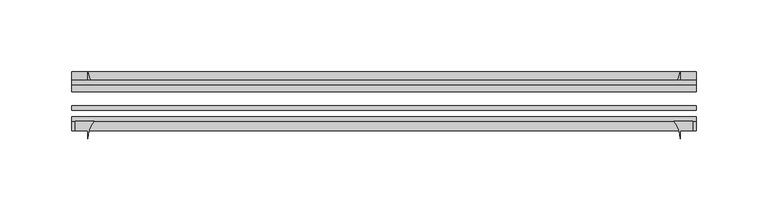
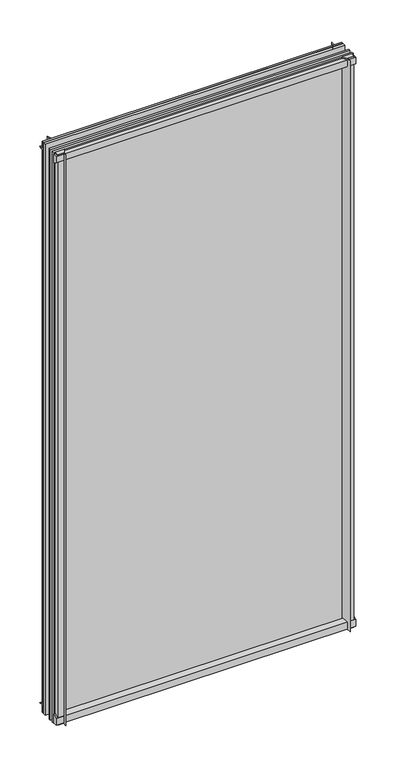
"""IFC4 building model written with IfcOpenShell, lengths in millimetres: plate geometry."""

import ifcopenshell
import ifcopenshell.guid

model = None  # the IFC model being written
_history = None  # IfcOwnerHistory: only IFC2X3 demands one
_inside = {}  # id of a spatial element -> (the spatial element, [elements in it])
_under = {}  # id of a project, library or spatial element -> (it, [spatial elements below it])
_declared = {}  # id of a project -> (the project, [libraries it declares])
_typed = {}  # id of a type object -> (the type object, [elements of that type])
_made_of = {}  # id of a material, layer set ... -> (it, [elements and type objects made of it])


def new_model(schema):
    """Start an empty IFC model of exactly this schema.

    Asked for "IFC4X3", IfcOpenShell would pick the latest addendum, in which some entities
    have other attributes; the version numbers below select the first issue.
    IFC2X3 requires an IfcOwnerHistory on every rooted entity: one is made here for all.
    """
    global model, _history
    if schema == "IFC4X3":
        model = ifcopenshell.file(schema_version=(4, 3, 0, 0))
    else:
        model = ifcopenshell.file(schema=schema)
    _inside.clear()
    _under.clear()
    _declared.clear()
    _typed.clear()
    _made_of.clear()
    _history = None
    if model.schema == "IFC2X3":
        org = make("IfcOrganization", Name="unknown")
        user = make(
            "IfcPersonAndOrganization",
            ThePerson=make("IfcPerson", FamilyName="unknown"),
            TheOrganization=org,
        )
        app = make(
            "IfcApplication",
            ApplicationDeveloper=org,
            Version="unknown",
            ApplicationFullName="unknown",
            ApplicationIdentifier="unknown",
        )
        _history = make(
            "IfcOwnerHistory",
            OwningUser=user,
            OwningApplication=app,
            ChangeAction="ADDED",
            CreationDate=0,
        )
    return model


def make(cls, **values):
    """One entity of the class cls with the attributes given. An attribute that is None is left unset."""
    return model.create_entity(
        cls, **{name: value for name, value in values.items() if value is not None}
    )


def rooted(cls, **values):
    """An entity with a GlobalId (a new one), such as an element, a storey or a relation."""
    return make(cls, GlobalId=ifcopenshell.guid.new(), OwnerHistory=_history, **values)


def si_unit(unit_type, name, prefix=None):
    """IfcSIUnit, for example si_unit("LENGTHUNIT", "METRE", prefix="MILLI")."""
    return make("IfcSIUnit", UnitType=unit_type, Prefix=prefix, Name=name)


def assignment(units):
    """IfcUnitAssignment: the units of a project."""
    return None if units is None else make("IfcUnitAssignment", Units=units)


def point(xyz):
    """IfcCartesianPoint."""
    return None if xyz is None else make("IfcCartesianPoint", Coordinates=xyz)


def direction(xyz):
    """IfcDirection."""
    return None if xyz is None else make("IfcDirection", DirectionRatios=xyz)


def frame(location, z_axis=None, x_axis=None):
    """IfcAxis2Placement3D, a coordinate frame: its origin and axes. An axis left out is left unset."""
    return make(
        "IfcAxis2Placement3D",
        Location=point(location),
        Axis=direction(z_axis),
        RefDirection=direction(x_axis),
    )


def frame_2d(location, x_axis=None):
    """IfcAxis2Placement2D, a coordinate frame in the plane: its origin and x axis."""
    return make(
        "IfcAxis2Placement2D", Location=point(location), RefDirection=direction(x_axis)
    )


def origin():
    """The frame at (0, 0, 0) with its axes left unset."""
    return frame((0.0, 0.0, 0.0))


def place(relative_to, where):
    """IfcLocalPlacement: puts the frame where relative to a parent placement (None: the world)."""
    return make(
        "IfcLocalPlacement", PlacementRelTo=relative_to, RelativePlacement=where
    )


def context(
    kind, dimensions, precision=None, world=None, true_north=None, identifier=None
):
    """IfcGeometricRepresentationContext, for example the 3D "Model" context."""
    return make(
        "IfcGeometricRepresentationContext",
        ContextIdentifier=identifier,
        ContextType=kind,
        CoordinateSpaceDimension=dimensions,
        Precision=precision,
        WorldCoordinateSystem=world,
        TrueNorth=true_north,
    )


def project(units=None, contexts=None):
    """IfcProject with its units and contexts."""
    return rooted(
        "IfcProject",
        Name="project",
        RepresentationContexts=contexts,
        UnitsInContext=assignment(units),
    )


def spatial(cls, under=None, at=None, **own):
    """A site, building, storey or space (cls), placed at a placement, below another one or the project."""
    s = rooted(cls, ObjectPlacement=at, **own)
    if under is not None:
        _under.setdefault(under.id(), (under, []))[1].append(s)
    return s


def polyline(points):
    """IfcPolyline through the points."""
    return make("IfcPolyline", Points=[point(p) for p in points])


def circle_curve(where, radius):
    """IfcCircle in the frame where."""
    return make("IfcCircle", Position=where, Radius=radius)


def trimmed(basis, trim1, trim2, sense, master):
    """IfcTrimmedCurve: the piece of a basis curve between two trims."""
    return make(
        "IfcTrimmedCurve",
        BasisCurve=basis,
        Trim1=trim1,
        Trim2=trim2,
        SenseAgreement=sense,
        MasterRepresentation=master,
    )


def segment(curve, same_sense, transition):
    """IfcCompositeCurveSegment."""
    return make(
        "IfcCompositeCurveSegment",
        Transition=transition,
        SameSense=same_sense,
        ParentCurve=curve,
    )


def composite_curve(segments, self_intersect=None):
    """IfcCompositeCurve: segments joined end to end."""
    return make("IfcCompositeCurve", Segments=segments, SelfIntersect=self_intersect)


def outline(outer, holes=None, kind="AREA"):
    """IfcArbitraryClosedProfileDef: a profile drawn as a closed curve; with holes, ...WithVoids."""
    if holes is None:
        return make("IfcArbitraryClosedProfileDef", ProfileType=kind, OuterCurve=outer)
    return make(
        "IfcArbitraryProfileDefWithVoids",
        ProfileType=kind,
        OuterCurve=outer,
        InnerCurves=holes,
    )


def extrude(swept, where, along, depth):
    """IfcExtrudedAreaSolid: the profile swept, set in the frame where, extruded along a direction by depth."""
    return make(
        "IfcExtrudedAreaSolid",
        SweptArea=swept,
        Position=where,
        ExtrudedDirection=direction(along),
        Depth=depth,
    )


def shape(context_of_items, identifier, shape_type, items):
    """IfcShapeRepresentation: the items that make up one representation, for example the "Body"."""
    return make(
        "IfcShapeRepresentation",
        ContextOfItems=context_of_items,
        RepresentationIdentifier=identifier,
        RepresentationType=shape_type,
        Items=items,
    )


def source(mapping_origin, context_of_items, identifier, shape_type, items):
    """IfcRepresentationMap: a shape defined once, which mapped items show again and again."""
    return make(
        "IfcRepresentationMap",
        MappingOrigin=mapping_origin,
        MappedRepresentation=shape(context_of_items, identifier, shape_type, items),
    )


def transform(
    local_origin,
    x_axis=None,
    y_axis=None,
    z_axis=None,
    scale=None,
    scale2=None,
    scale3=None,
    uniform=True,
):
    """IfcCartesianTransformationOperator3D, or its non-uniform kind. x_axis, y_axis, z_axis: its Axis1, 2, 3."""
    if uniform:
        return make(
            "IfcCartesianTransformationOperator3D",
            Axis1=direction(x_axis),
            Axis2=direction(y_axis),
            LocalOrigin=point(local_origin),
            Scale=scale,
            Axis3=direction(z_axis),
        )
    return make(
        "IfcCartesianTransformationOperator3DnonUniform",
        Axis1=direction(x_axis),
        Axis2=direction(y_axis),
        LocalOrigin=point(local_origin),
        Scale=scale,
        Axis3=direction(z_axis),
        Scale2=scale2,
        Scale3=scale3,
    )


def mapped(mapping_source, mapping_target):
    """IfcMappedItem: shows the shape of a source again, moved by a transform."""
    return make(
        "IfcMappedItem", MappingSource=mapping_source, MappingTarget=mapping_target
    )


def made_of(thing, what):
    """Note that an element or type object is made of a material, layer set ...; save() writes the relation."""
    if what is not None:
        _made_of.setdefault(what.id(), (what, []))[1].append(thing)
    return thing


def element(
    cls,
    number,
    at=None,
    inside=None,
    cuts=None,
    type_object=None,
    material=None,
    context=None,
    identifier="Body",
    shape_type=None,
    held_by="IfcProductDefinitionShape",
    body=None,
    shapes=None,
    **own,
):
    """One element of the class cls, such as IfcWall. Its Tag is "e" and its number.

    at: its placement. inside: the storey or other place that contains it. cuts: it is an
    opening in that element (IfcRelVoidsElement). A single representation is given by context,
    identifier, shape_type and body (its items); several are given by shapes. held_by: the class
    of the entity that holds the representations. save() writes the other relations.
    """
    e = rooted(cls, Tag="e%d" % number, ObjectPlacement=at, **own)
    if body is not None:
        shapes = [shape(context, identifier, shape_type, body)]
    if shapes is not None:
        e.Representation = make(held_by, Representations=shapes)
    if inside is not None:
        _inside.setdefault(inside.id(), (inside, []))[1].append(e)
    if cuts is not None:
        rooted(
            "IfcRelVoidsElement", RelatingBuildingElement=cuts, RelatedOpeningElement=e
        )
    if type_object is not None:
        _typed.setdefault(type_object.id(), (type_object, []))[1].append(e)
    return made_of(e, material)


def aggregate(whole, parts):
    """IfcRelAggregates: a whole, such as a stair, and the parts it consists of."""
    return rooted("IfcRelAggregates", RelatingObject=whole, RelatedObjects=parts)


def save(model, path):
    """Write the relations noted so far, then the file.

    IfcRelAggregates (storeys below a building ...), IfcRelContainedInSpatialStructure (elements
    in a storey), IfcRelDefinesByType, IfcRelAssociatesMaterial and IfcRelDeclares: one each for
    every whole, place, type object, material and project.
    """
    for whole, parts in _under.values():
        aggregate(whole, parts)
    for where, things in _inside.values():
        rooted(
            "IfcRelContainedInSpatialStructure",
            RelatedElements=things,
            RelatingStructure=where,
        )
    for kind, things in _typed.values():
        rooted("IfcRelDefinesByType", RelatedObjects=things, RelatingType=kind)
    for what, things in _made_of.values():
        rooted("IfcRelAssociatesMaterial", RelatedObjects=things, RelatingMaterial=what)
    for by, libraries in _declared.values():
        rooted("IfcRelDeclares", RelatingContext=by, RelatedDefinitions=libraries)
    model.write(path)


def plate_c994b77d(model_context):
    return source(origin(), model_context, "Body", "SweptSolid", [
        extrude(outline(composite_curve([segment(polyline([(-42.891075, -11.1125), (-42.891075, 3.8539528)]), True, "CONTINUOUS"), segment(trimmed(circle_curve(frame_2d((-26.637892, 29.5913262)), 30.4397495), [point((-42.891075, 3.8539528))], [point((-33.7745413, 0.0))], True, "CARTESIAN"), True, "CONTINUOUS"), segment(polyline([(-33.7745413, 0.0), (-39.690675, 0.0), (-39.690675, -11.1125), (-42.891075, -11.1125)]), True, "CONTINUOUS")], self_intersect=False)), frame((-217.4795252, 0.0, 0.0), z_axis=(1.0, 0.0, 0.0), x_axis=(0.0, 1.0, 0.0)), (0.0, 0.0, 1.0), 434.9590504),
        extrude(outline(composite_curve([segment(trimmed(circle_curve(frame_2d((-80.4922797, 17.8701603)), 18.6769817), [point((-74.641075, 0.1333891))], [point((-68.291075, 3.72943))], True, "CARTESIAN"), True, "CONTINUOUS"), segment(polyline([(-68.291075, 3.72943), (-68.291075, -10.3251), (-74.641075, -10.3251), (-74.641075, 0.1333891)]), True, "CONTINUOUS")], self_intersect=False)), frame((-217.4795252, 0.0, 0.0), z_axis=(1.0, 0.0, 0.0), x_axis=(0.0, 1.0, 0.0)), (0.0, 0.0, 1.0), 434.9590504),
        extrude(outline(composite_curve([segment(polyline([(-42.891075, 850.2083472), (-42.891075, 865.1875), (-39.690675, 865.1875), (-39.690675, 854.075), (-33.721675, 854.075)]), True, "CONTINUOUS"), segment(trimmed(circle_curve(frame_2d((-26.637892, 824.4709738)), 30.4397495), [point((-33.721675, 854.075))], [point((-42.891075, 850.2083472))], True, "CARTESIAN"), True, "CONTINUOUS")], self_intersect=False)), frame((-217.4795252, 0.0, 0.0), z_axis=(1.0, 0.0, 0.0), x_axis=(0.0, 1.0, 0.0)), (0.0, 0.0, 1.0), 434.9590504),
        extrude(outline(composite_curve([segment(polyline([(-68.291075, 862.8126), (-68.291075, 849.53912)]), True, "CONTINUOUS"), segment(trimmed(circle_curve(frame_2d((-80.4922797, 835.3983897)), 18.6769817), [point((-68.291075, 849.53912))], [point((-74.641075, 853.1351609))], True, "CARTESIAN"), True, "CONTINUOUS"), segment(polyline([(-74.641075, 853.1351609), (-74.641075, 862.8126), (-68.291075, 862.8126)]), True, "CONTINUOUS")], self_intersect=False)), frame((-217.4795252, 0.0, 0.0), z_axis=(1.0, 0.0, 0.0), x_axis=(0.0, 1.0, 0.0)), (0.0, 0.0, 1.0), 434.9590504),
        extrude(outline(composite_curve([segment(polyline([(201.8311451, -68.291075), (215.1046252, -68.291075), (215.1046252, -74.641075), (206.3670252, -74.641075), (206.3670252, -80.3744844)]), True, "CONTINUOUS"), segment(trimmed(circle_curve(frame_2d((187.6904149, -80.4922797)), 18.6769817), [point((206.3670252, -80.3744844))], [point((201.8311451, -68.291075))], True, "CARTESIAN"), True, "CONTINUOUS")], self_intersect=False)), frame((0.0, 0.0, -11.1125), z_axis=(0.0, 0.0, 1.0), x_axis=(1.0, 0.0, 0.0)), (0.0, 0.0, 1.0), 876.3),
        extrude(outline(composite_curve([segment(trimmed(circle_curve(frame_2d((176.762999, -26.637892)), 30.4397495), [point((202.5003724, -42.891075))], [point((206.3670252, -33.721675))], True, "CARTESIAN"), True, "CONTINUOUS"), segment(polyline([(206.3670252, -33.721675), (206.3670252, -39.690675), (217.4795252, -39.690675), (217.4795252, -42.891075), (202.5003724, -42.891075)]), True, "CONTINUOUS")], self_intersect=False)), frame((0.0, 0.0, -11.1125), z_axis=(0.0, 0.0, 1.0), x_axis=(1.0, 0.0, 0.0)), (0.0, 0.0, 1.0), 876.3),
        extrude(outline(composite_curve([segment(trimmed(circle_curve(frame_2d((-187.6904149, -80.4922797)), 18.6769817), [point((-201.8311451, -68.291075))], [point((-206.3670252, -80.3744844))], True, "CARTESIAN"), True, "CONTINUOUS"), segment(polyline([(-206.3670252, -80.3744844), (-206.3670252, -74.641075), (-215.1046252, -74.641075), (-215.1046252, -68.291075), (-201.8311451, -68.291075)]), True, "CONTINUOUS")], self_intersect=False)), frame((0.0, 0.0, -11.1125), z_axis=(0.0, 0.0, 1.0), x_axis=(1.0, 0.0, 0.0)), (0.0, 0.0, 1.0), 876.3),
        extrude(outline(composite_curve([segment(polyline([(-202.5003724, -42.891075), (-217.4795252, -42.891075), (-217.4795252, -39.690675), (-206.3670252, -39.690675), (-206.3670252, -33.721675)]), True, "CONTINUOUS"), segment(trimmed(circle_curve(frame_2d((-176.762999, -26.637892)), 30.4397495), [point((-206.3670252, -33.721675))], [point((-202.5003724, -42.891075))], True, "CARTESIAN"), True, "CONTINUOUS")], self_intersect=False)), frame((0.0, 0.0, -11.1125), z_axis=(0.0, 0.0, 1.0), x_axis=(1.0, 0.0, 0.0)), (0.0, 0.0, 1.0), 876.3),
        extrude(outline(polyline([(-217.4795252, -42.891075), (217.4795252, -42.891075), (217.4795252, -47.653575), (-217.4795252, -47.653575), (-217.4795252, -42.891075)])), frame((0.0, 0.0, -11.1125), z_axis=(0.0, 0.0, 1.0), x_axis=(1.0, 0.0, 0.0)), (0.0, 0.0, 1.0), 876.3),
        extrude(outline(polyline([(217.4795252, -57.369075), (217.4795252, -60.544075), (-217.4795252, -60.544075), (-217.4795252, -57.369075), (217.4795252, -57.369075)])), frame((0.0, 0.0, -11.1125), z_axis=(0.0, 0.0, 1.0), x_axis=(1.0, 0.0, 0.0)), (0.0, 0.0, 1.0), 876.3),
        extrude(outline(polyline([(-217.4795252, -65.116075), (217.4795252, -65.116075), (217.4795252, -68.291075), (-217.4795252, -68.291075), (-217.4795252, -65.116075)])), frame((0.0, 0.0, -11.1125), z_axis=(0.0, 0.0, 1.0), x_axis=(1.0, 0.0, 0.0)), (0.0, 0.0, 1.0), 876.3),
    ])


if __name__ == "__main__":
    model = new_model("IFC4")
    model_context = context("Model", 3, world=origin())
    ifc_project = project(units=[si_unit("LENGTHUNIT", "METRE", prefix="MILLI")], contexts=[model_context])
    site = spatial("IfcSite", under=ifc_project)
    building = spatial("IfcBuilding", under=site)
    placement = place(None, origin())
    plate_shape = plate_c994b77d(model_context)
    element("IfcPlate", 1, at=placement, inside=building, context=model_context, shape_type="MappedRepresentation", body=[
        mapped(plate_shape, transform((0.0, 0.0, 0.0), x_axis=(1.0, 0.0, 0.0), y_axis=(0.0, 1.0, 0.0), z_axis=(0.0, 0.0, 1.0))),
    ])
    save(model, "model.ifc")
